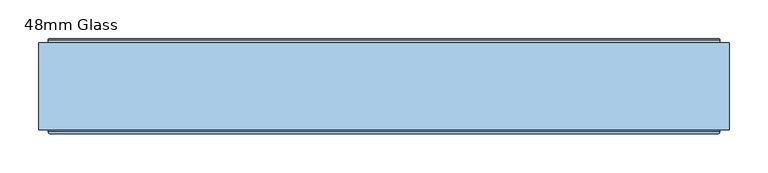
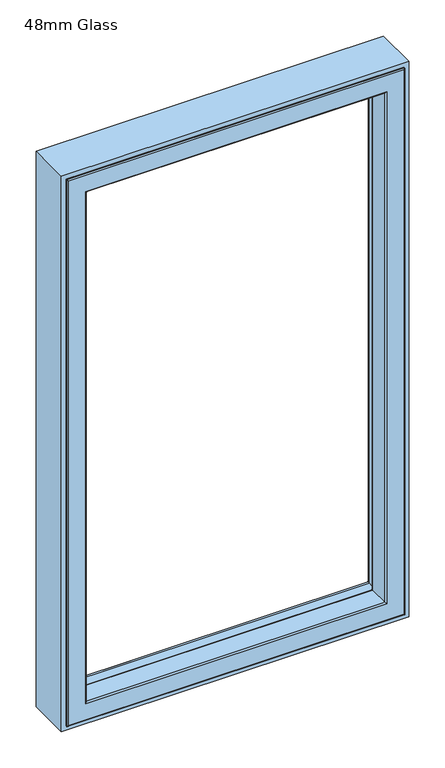
"""IFC4 building model written with IfcOpenShell, lengths in millimetres: window geometry, 48mm Glass."""

from ifc_helpers import new_model, si_unit, frame, origin, place, context, project, spatial, polyline, ellipse_curve, outline, extrude, source, transform, mapped, element, save
from ifc_brep_helpers import plane_surface, cylinder_surface, revolved_surface, advanced_brep


def window_48mm_glass_09fa7145(model_context):
    return source(origin(), model_context, "Body", "SolidModel", [
        advanced_brep(
        [(-383.5, 91.0, 2239.5), (-382.0, 89.5, 2238.0), (-382.0, 89.5, 862.0), (-383.5, 91.0, 860.5), (-382.0, 35.0, 2238.0), (-382.0, 35.0, 862.0), (382.0, 89.5, 862.0), (383.5, 91.0, 860.5), (398.6498733, 91.0, 2254.6498733), (398.6498733, 91.0, 845.3501267), (-398.6498733, 91.0, 845.3501267), (-398.6498733, 91.0, 2254.6498733), (383.5, 91.0, 2239.5), (-400.1386925, 92.317196, 2256.1386925), (-400.1386925, 92.317196, 843.8613075), (400.1386925, 92.317196, 843.8613075), (-406.7857488, 146.453125, 2262.7857488), (-406.7857488, 146.453125, 837.2142512), (406.7857488, 146.453125, 837.2142512), (407.6, 146.453125, 2263.6), (407.6, 146.453125, 836.4), (-407.6, 146.453125, 836.4), (-407.6, 146.453125, 2263.6), (406.7857488, 146.453125, 2262.7857488), (-407.6, 153.0, 2263.6), (-407.6, 153.0, 836.4), (407.6, 153.0, 836.4), (-408.6, 154.0, 2264.6), (-408.6, 154.0, 835.4), (408.6, 154.0, 835.4), (431.0, 154.0, 2287.0), (431.0, 154.0, 813.0), (-431.0, 154.0, 813.0), (-431.0, 154.0, 2287.0), (408.6, 154.0, 2264.6), (-432.0, 153.0, 2288.0), (-432.0, 153.0, 812.0), (432.0, 153.0, 812.0), (-432.0, 35.0, 2288.0), (-432.0, 35.0, 812.0), (432.0, 35.0, 812.0), (-429.0, 32.0, 2285.0), (-429.0, 32.0, 815.0), (429.0, 32.0, 815.0), (429.0, 32.0, 2285.0), (385.0, 32.0, 2241.0), (385.0, 32.0, 859.0), (-385.0, 32.0, 859.0), (-385.0, 32.0, 2241.0), (382.0, 35.0, 862.0), (382.0, 89.5, 2238.0), (400.1386925, 92.317196, 2256.1386925), (407.6, 153.0, 2263.6), (432.0, 153.0, 2288.0), (432.0, 35.0, 2288.0), (382.0, 35.0, 2238.0)],
        [
            (0, 1, ellipse_curve(frame((-383.5, 89.5, 2239.5), z_axis=(-0.7071067811865475, 0.0, -0.7071067811865475), x_axis=(-0.7071067811865474, 0.0, 0.7071067811865476)), 2.1213203, 1.5)),
            (1, 2),
            (2, 3, ellipse_curve(frame((-383.5, 89.5, 860.5), z_axis=(-0.7071067811865475, 0.0, 0.7071067811865475), x_axis=(0.7071067811865474, 0.0, 0.7071067811865476)), 2.1213203, 1.5)),
            (3, 0),
            (1, 4),
            (4, 5),
            (5, 2),
            (2, 6),
            (6, 7, ellipse_curve(frame((383.5, 89.5, 860.5), z_axis=(-0.7071067811865475, 0.0, -0.7071067811865475), x_axis=(-0.7071067811865476, 0.0, 0.7071067811865474)), 2.1213203, 1.5)),
            (7, 3),
            (8, 9),
            (9, 10),
            (10, 11),
            (11, 8),
            (7, 12),
            (12, 0),
            (13, 11, ellipse_curve(frame((-398.6498733, 92.5, 2254.6498733), z_axis=(0.7071067811865475, 0.0, 0.7071067811865475), x_axis=(0.7071067811865474, 0.0, -0.7071067811865476)), 2.1213203, 1.5)),
            (10, 14, ellipse_curve(frame((-398.6498733, 92.5, 845.3501267), z_axis=(0.7071067811865475, 0.0, -0.7071067811865475), x_axis=(-0.7071067811865474, 0.0, -0.7071067811865476)), 2.1213203, 1.5)),
            (14, 13),
            (9, 15, ellipse_curve(frame((398.6498733, 92.5, 845.3501267), z_axis=(0.7071067811865475, 0.0, 0.7071067811865475), x_axis=(0.7071067811865476, 0.0, -0.7071067811865474)), 2.1213203, 1.5)),
            (15, 14),
            (16, 13),
            (14, 17),
            (17, 16),
            (15, 18),
            (18, 17),
            (19, 20),
            (20, 21),
            (21, 22),
            (22, 19),
            (18, 23),
            (23, 16),
            (24, 22),
            (21, 25),
            (25, 24),
            (20, 26),
            (26, 25),
            (27, 24, ellipse_curve(frame((-408.6, 153.0, 2264.6), z_axis=(-0.7071067811865475, 0.0, -0.7071067811865475), x_axis=(-0.7071067811865474, 0.0, 0.7071067811865476)), 1.4142136, 1.0)),
            (25, 28, ellipse_curve(frame((-408.6, 153.0, 835.4), z_axis=(-0.7071067811865475, 0.0, 0.7071067811865475), x_axis=(0.7071067811865474, 0.0, 0.7071067811865476)), 1.4142136, 1.0)),
            (28, 27),
            (26, 29, ellipse_curve(frame((408.6, 153.0, 835.4), z_axis=(-0.7071067811865475, 0.0, -0.7071067811865475), x_axis=(-0.7071067811865476, 0.0, 0.7071067811865474)), 1.4142136, 1.0)),
            (29, 28),
            (30, 31),
            (31, 32),
            (32, 33),
            (33, 30),
            (29, 34),
            (34, 27),
            (35, 33, ellipse_curve(frame((-431.0, 153.0, 2287.0), z_axis=(-0.7071067811865475, 0.0, -0.7071067811865475), x_axis=(-0.7071067811865474, 0.0, 0.7071067811865476)), 1.4142136, 1.0)),
            (32, 36, ellipse_curve(frame((-431.0, 153.0, 813.0), z_axis=(-0.7071067811865475, 0.0, 0.7071067811865475), x_axis=(0.7071067811865474, 0.0, 0.7071067811865476)), 1.4142136, 1.0)),
            (36, 35),
            (31, 37, ellipse_curve(frame((431.0, 153.0, 813.0), z_axis=(-0.7071067811865475, 0.0, -0.7071067811865475), x_axis=(-0.7071067811865476, 0.0, 0.7071067811865474)), 1.4142136, 1.0)),
            (37, 36),
            (38, 35),
            (36, 39),
            (39, 38),
            (37, 40),
            (40, 39),
            (41, 38, ellipse_curve(frame((-429.0, 35.0, 2285.0), z_axis=(-0.7071067811865475, 0.0, -0.7071067811865475), x_axis=(-0.7071067811865474, 0.0, 0.7071067811865476)), 4.2426407, 3.0)),
            (39, 42, ellipse_curve(frame((-429.0, 35.0, 815.0), z_axis=(-0.7071067811865475, 0.0, 0.7071067811865475), x_axis=(0.7071067811865474, 0.0, 0.7071067811865476)), 4.2426407, 3.0)),
            (42, 41),
            (40, 43, ellipse_curve(frame((429.0, 35.0, 815.0), z_axis=(-0.7071067811865475, 0.0, -0.7071067811865475), x_axis=(-0.7071067811865476, 0.0, 0.7071067811865474)), 4.2426407, 3.0)),
            (43, 42),
            (43, 44),
            (44, 41),
            (45, 46),
            (46, 47),
            (47, 48),
            (48, 45),
            (4, 48, ellipse_curve(frame((-385.0, 35.0, 2241.0), z_axis=(-0.7071067811865475, 0.0, -0.7071067811865475), x_axis=(-0.7071067811865474, 0.0, 0.7071067811865476)), 4.2426407, 3.0)),
            (47, 5, ellipse_curve(frame((-385.0, 35.0, 859.0), z_axis=(-0.7071067811865475, 0.0, 0.7071067811865475), x_axis=(0.7071067811865474, 0.0, 0.7071067811865476)), 4.2426407, 3.0)),
            (46, 49, ellipse_curve(frame((385.0, 35.0, 859.0), z_axis=(-0.7071067811865475, 0.0, -0.7071067811865475), x_axis=(-0.7071067811865476, 0.0, 0.7071067811865474)), 4.2426407, 3.0)),
            (49, 5),
            (49, 6),
            (6, 50),
            (50, 12, ellipse_curve(frame((383.5, 89.5, 2239.5), z_axis=(0.7071067811865475, 0.0, -0.7071067811865475), x_axis=(-0.7071067811865474, 0.0, -0.7071067811865476)), 2.1213203, 1.5)),
            (8, 51, ellipse_curve(frame((398.6498733, 92.5, 2254.6498733), z_axis=(-0.7071067811865475, 0.0, 0.7071067811865475), x_axis=(0.7071067811865474, 0.0, 0.7071067811865476)), 2.1213203, 1.5)),
            (51, 15),
            (51, 23),
            (19, 52),
            (52, 26),
            (52, 34, ellipse_curve(frame((408.6, 153.0, 2264.6), z_axis=(0.7071067811865475, 0.0, -0.7071067811865475), x_axis=(-0.7071067811865474, 0.0, -0.7071067811865476)), 1.4142136, 1.0)),
            (30, 53, ellipse_curve(frame((431.0, 153.0, 2287.0), z_axis=(0.7071067811865475, 0.0, -0.7071067811865475), x_axis=(-0.7071067811865474, 0.0, -0.7071067811865476)), 1.4142136, 1.0)),
            (53, 37),
            (53, 54),
            (54, 40),
            (54, 44, ellipse_curve(frame((429.0, 35.0, 2285.0), z_axis=(0.7071067811865475, 0.0, -0.7071067811865475), x_axis=(-0.7071067811865474, 0.0, -0.7071067811865476)), 4.2426407, 3.0)),
            (45, 55, ellipse_curve(frame((385.0, 35.0, 2241.0), z_axis=(0.7071067811865475, 0.0, -0.7071067811865475), x_axis=(-0.7071067811865474, 0.0, -0.7071067811865476)), 4.2426407, 3.0)),
            (55, 49),
            (55, 50),
            (50, 1),
            (13, 51),
            (24, 52),
            (35, 53),
            (38, 54),
            (4, 55),
        ],
        [
            cylinder_surface(frame((-383.5, 89.5, 2300.0), z_axis=(0.0, 0.0, 1.0), x_axis=(0.0, 1.0, 0.0)), 1.5),
            plane_surface(frame((-382.0, 35.0, 2238.0), z_axis=(1.0, 0.0, 0.0), x_axis=(0.0, 0.0, -1.0))),
            cylinder_surface(frame((-444.0, 89.5, 860.5), z_axis=(-1.0, 0.0, 0.0), x_axis=(0.0, 1.0, 0.0)), 1.5),
            plane_surface(frame((383.5, 91.0, 860.5), z_axis=(0.0, 1.0, 0.0), x_axis=(0.0, 0.0, 1.0))),
            revolved_surface(polyline([(-398.6498733, 94.0, 843.8501267308015), (-398.6498733, 94.0, 2256.1498732691985)]), (-398.6498733, 92.5, 2300.0), (0.0, 0.0, -1.0)),
            revolved_surface(polyline([(400.1498732691988, 94.0, 845.3501267), (-400.1498732691987, 94.0, 845.3501267)]), (-444.0, 92.5, 845.3501267), (1.0, 0.0, 0.0)),
            plane_surface(frame((-400.1386925, 92.317196, 2256.1386925), z_axis=(0.9925461516413234, 0.12186934340513697, 0.0), x_axis=(0.0, 0.0, -1.0))),
            plane_surface(frame((-400.1386925, 92.317196, 843.8613075), z_axis=(0.0, 0.12186934340513697, 0.9925461516413234), x_axis=(1.0, 0.0, 0.0))),
            plane_surface(frame((406.7857488, 146.453125, 837.2142512), z_axis=(0.0, 1.0, 0.0), x_axis=(0.0, 0.0, 1.0))),
            plane_surface(frame((-407.6, 146.453125, 2263.6), z_axis=(1.0, 0.0, 0.0), x_axis=(0.0, 0.0, -1.0))),
            plane_surface(frame((-407.6, 146.453125, 836.4), z_axis=(0.0, 0.0, 1.0), x_axis=(1.0, 0.0, 0.0))),
            cylinder_surface(frame((-408.6, 153.0, 2300.0), z_axis=(0.0, 0.0, 1.0), x_axis=(0.0, 1.0, 0.0)), 1.0),
            cylinder_surface(frame((-444.0, 153.0, 835.4), z_axis=(-1.0, 0.0, 0.0), x_axis=(0.0, 1.0, 0.0)), 1.0),
            plane_surface(frame((408.6, 154.0, 835.4), z_axis=(0.0, 1.0, 0.0), x_axis=(0.0, 0.0, 1.0))),
            cylinder_surface(frame((-431.0, 153.0, 2300.0), z_axis=(0.0, 0.0, 1.0), x_axis=(0.0, 1.0, 0.0)), 1.0),
            cylinder_surface(frame((-444.0, 153.0, 813.0), z_axis=(-1.0, 0.0, 0.0), x_axis=(0.0, 1.0, 0.0)), 1.0),
            plane_surface(frame((-432.0, 153.0, 2288.0), z_axis=(-1.0, 0.0, 0.0), x_axis=(0.0, 0.0, -1.0))),
            plane_surface(frame((-432.0, 153.0, 812.0), z_axis=(0.0, 0.0, -1.0), x_axis=(1.0, 0.0, 0.0))),
            cylinder_surface(frame((-429.0, 35.0, 2300.0), z_axis=(0.0, 0.0, 1.0), x_axis=(0.0, 1.0, 0.0)), 3.0),
            cylinder_surface(frame((-444.0, 35.0, 815.0), z_axis=(-1.0, 0.0, 0.0), x_axis=(0.0, 1.0, 0.0)), 3.0),
            plane_surface(frame((429.0, 32.0, 815.0), z_axis=(0.0, -1.0, 0.0), x_axis=(0.0, 0.0, 1.0))),
            cylinder_surface(frame((-385.0, 35.0, 2300.0), z_axis=(0.0, 0.0, 1.0), x_axis=(0.0, 1.0, 0.0)), 3.0),
            cylinder_surface(frame((-444.0, 35.0, 859.0), z_axis=(-1.0, 0.0, 0.0), x_axis=(0.0, 1.0, 0.0)), 3.0),
            plane_surface(frame((-382.0, 35.0, 862.0), z_axis=(0.0, 0.0, 1.0), x_axis=(1.0, 0.0, 0.0))),
            cylinder_surface(frame((383.5, 89.5, 800.0), z_axis=(0.0, 0.0, -1.0), x_axis=(0.0, 1.0, 0.0)), 1.5),
            revolved_surface(polyline([(398.6498733, 94.0, 2256.1498732691985), (398.6498733, 94.0, 843.8501267308013)]), (398.6498733, 92.5, 800.0), (0.0, 0.0, 1.0)),
            plane_surface(frame((400.1386925, 92.317196, 843.8613075), z_axis=(-0.9925461516413234, 0.12186934340513697, 0.0), x_axis=(0.0, 0.0, 1.0))),
            plane_surface(frame((407.6, 146.453125, 836.4), z_axis=(-1.0, 0.0, 0.0), x_axis=(0.0, 0.0, 1.0))),
            cylinder_surface(frame((408.6, 153.0, 800.0), z_axis=(0.0, 0.0, -1.0), x_axis=(0.0, 1.0, 0.0)), 1.0),
            cylinder_surface(frame((431.0, 153.0, 800.0), z_axis=(0.0, 0.0, -1.0), x_axis=(0.0, 1.0, 0.0)), 1.0),
            plane_surface(frame((432.0, 153.0, 812.0), z_axis=(1.0, 0.0, 0.0), x_axis=(0.0, 0.0, 1.0))),
            cylinder_surface(frame((429.0, 35.0, 800.0), z_axis=(0.0, 0.0, -1.0), x_axis=(0.0, 1.0, 0.0)), 3.0),
            cylinder_surface(frame((385.0, 35.0, 800.0), z_axis=(0.0, 0.0, -1.0), x_axis=(0.0, 1.0, 0.0)), 3.0),
            plane_surface(frame((382.0, 35.0, 862.0), z_axis=(-1.0, 0.0, 0.0), x_axis=(0.0, 0.0, 1.0))),
            cylinder_surface(frame((444.0, 89.5, 2239.5), z_axis=(1.0, 0.0, 0.0), x_axis=(0.0, 1.0, 0.0)), 1.5),
            revolved_surface(polyline([(-400.1498732691988, 94.0, 2254.6498733), (400.1498732691987, 94.0, 2254.6498733)]), (444.0, 92.5, 2254.6498733), (-1.0, 0.0, 0.0)),
            plane_surface(frame((400.1386925, 92.317196, 2256.1386925), z_axis=(0.0, 0.12186934340513697, -0.9925461516413234), x_axis=(-1.0, 0.0, 0.0))),
            plane_surface(frame((407.6, 146.453125, 2263.6), z_axis=(0.0, 0.0, -1.0), x_axis=(-1.0, 0.0, 0.0))),
            cylinder_surface(frame((444.0, 153.0, 2264.6), z_axis=(1.0, 0.0, 0.0), x_axis=(0.0, 1.0, 0.0)), 1.0),
            cylinder_surface(frame((444.0, 153.0, 2287.0), z_axis=(1.0, 0.0, 0.0), x_axis=(0.0, 1.0, 0.0)), 1.0),
            plane_surface(frame((432.0, 153.0, 2288.0), z_axis=(0.0, 0.0, 1.0), x_axis=(-1.0, 0.0, 0.0))),
            cylinder_surface(frame((444.0, 35.0, 2285.0), z_axis=(1.0, 0.0, 0.0), x_axis=(0.0, 1.0, 0.0)), 3.0),
            cylinder_surface(frame((444.0, 35.0, 2241.0), z_axis=(1.0, 0.0, 0.0), x_axis=(0.0, 1.0, 0.0)), 3.0),
            plane_surface(frame((382.0, 35.0, 2238.0), z_axis=(0.0, 0.0, -1.0), x_axis=(-1.0, 0.0, 0.0))),
        ],
        [
            (0, [[1, 2, 3, 4]]),
            (1, [[5, 6, 7, -2]]),
            (2, [[-3, 8, 9, 10]]),
            (3, [[11, 12, 13, 14], [-4, -10, 15, 16]]),
            (4, [[17, -13, 18, 19]]),
            (5, [[-18, -12, 20, 21]]),
            (6, [[22, -19, 23, 24]]),
            (7, [[-23, -21, 25, 26]]),
            (8, [[27, 28, 29, 30], [-24, -26, 31, 32]]),
            (9, [[33, -29, 34, 35]]),
            (10, [[-34, -28, 36, 37]]),
            (11, [[38, -35, 39, 40]]),
            (12, [[-39, -37, 41, 42]]),
            (13, [[43, 44, 45, 46], [-40, -42, 47, 48]]),
            (14, [[49, -45, 50, 51]]),
            (15, [[-50, -44, 52, 53]]),
            (16, [[54, -51, 55, 56]]),
            (17, [[-55, -53, 57, 58]]),
            (18, [[59, -56, 60, 61]]),
            (19, [[-60, -58, 62, 63]]),
            (20, [[-61, -63, 64, 65], [66, 67, 68, 69]]),
            (21, [[70, -68, 71, -6]]),
            (22, [[-71, -67, 72, 73]]),
            (23, [[-7, -73, 74, -8]]),
            (24, [[-9, 75, 76, -15]]),
            (25, [[-20, -11, 77, 78]]),
            (26, [[-25, -78, 79, -31]]),
            (27, [[-36, -27, 80, 81]]),
            (28, [[-41, -81, 82, -47]]),
            (29, [[-52, -43, 83, 84]]),
            (30, [[-57, -84, 85, 86]]),
            (31, [[-62, -86, 87, -64]]),
            (32, [[-72, -66, 88, 89]]),
            (33, [[-74, -89, 90, -75]]),
            (34, [[-76, 91, -1, -16]]),
            (35, [[-77, -14, -17, 92]]),
            (36, [[-79, -92, -22, -32]]),
            (37, [[-80, -30, -33, 93]]),
            (38, [[-82, -93, -38, -48]]),
            (39, [[-83, -46, -49, 94]]),
            (40, [[-85, -94, -54, 95]]),
            (41, [[-87, -95, -59, -65]]),
            (42, [[-88, -69, -70, 96]]),
            (43, [[-90, -96, -5, -91]]),
        ],
    ),
        extrude(outline(polyline([(2300.0, -444.0), (800.0, -444.0), (800.0, 444.0), (2300.0, 444.0), (2300.0, -444.0)]), holes=[polyline([(2288.0, 432.0), (812.0, 432.0), (812.0, -432.0), (2288.0, -432.0), (2288.0, 432.0)])]), frame((0.0, 37.0, 0.0), z_axis=(0.0, 1.0, 0.0), x_axis=(0.0, 0.0, 1.0)), (0.0, 0.0, 1.0), 112.0),
    ])


if __name__ == "__main__":
    model = new_model("IFC4")
    model_context = context("Model", 3, world=origin())
    ifc_project = project(units=[si_unit("LENGTHUNIT", "METRE", prefix="MILLI")], contexts=[model_context])
    site = spatial("IfcSite", under=ifc_project)
    building = spatial("IfcBuilding", under=site)
    placement = place(None, origin())
    window_48mm_glass_shape = window_48mm_glass_09fa7145(model_context)
    element("IfcWindow", 1, ObjectType="48mm Glass", at=placement, inside=building, context=model_context, shape_type="MappedRepresentation", body=[
        mapped(window_48mm_glass_shape, transform((0.0, 0.0, 0.0), x_axis=(1.0, 0.0, 0.0), y_axis=(0.0, 1.0, 0.0), z_axis=(0.0, 0.0, 1.0))),
    ])
    save(model, "model.ifc")
